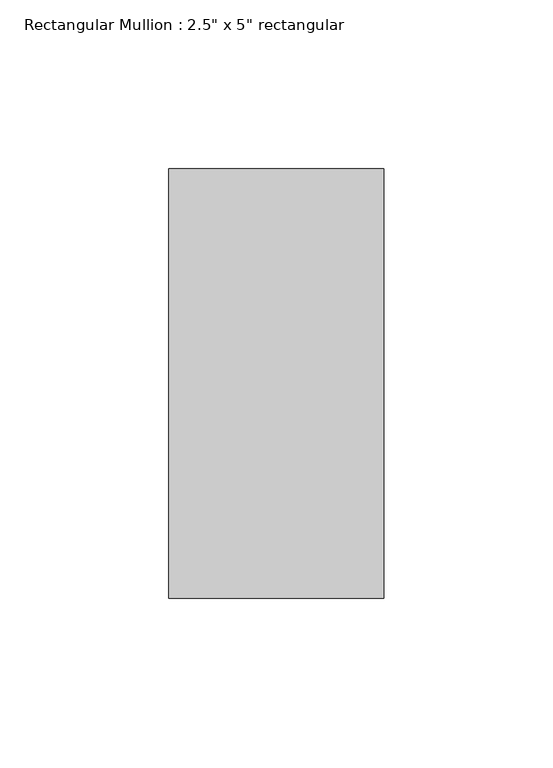
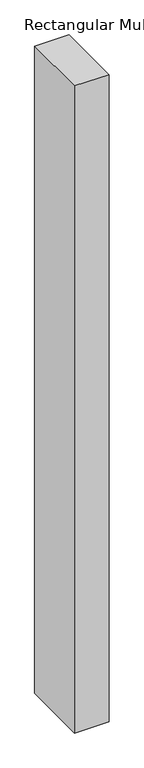
"""IFC4 building model written with IfcOpenShell, lengths in millimetres: member geometry."""

from ifc_helpers import new_model, si_unit, frame, origin, place, context, project, spatial, polyline, outline, extrude, source, transform, mapped, element, save


def member_fb7d0da6(model_context):
    return source(origin(), model_context, "Body", "SweptSolid", [
        extrude(outline(polyline([(0.0, 63.5), (0.0, -63.5), (-63.5, -63.5), (-63.5, 63.5), (0.0, 63.5)])), frame((0.0, 0.0, -1257.8), z_axis=(0.0, 0.0, 1.0), x_axis=(1.0, 0.0, 0.0)), (0.0, 0.0, 1.0), 1257.8),
    ])


if __name__ == "__main__":
    model = new_model("IFC4")
    model_context = context("Model", 3, world=origin())
    ifc_project = project(units=[si_unit("LENGTHUNIT", "METRE", prefix="MILLI")], contexts=[model_context])
    site = spatial("IfcSite", under=ifc_project)
    building = spatial("IfcBuilding", under=site)
    placement = place(None, origin())
    member_shape = member_fb7d0da6(model_context)
    element("IfcMember", 1, ObjectType="Rectangular Mullion : 2.5\" x 5\" rectangular", at=placement, inside=building, context=model_context, shape_type="MappedRepresentation", body=[
        mapped(member_shape, transform((0.0, 0.0, 0.0), x_axis=(1.0, 0.0, 0.0), y_axis=(0.0, 1.0, 0.0), z_axis=(0.0, 0.0, 1.0))),
    ])
    save(model, "model.ifc")
